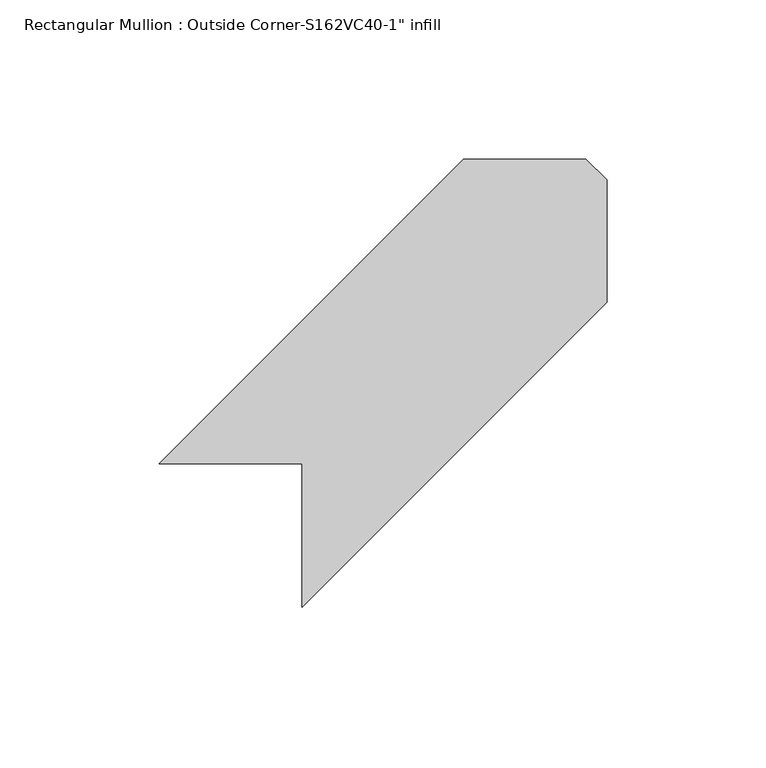
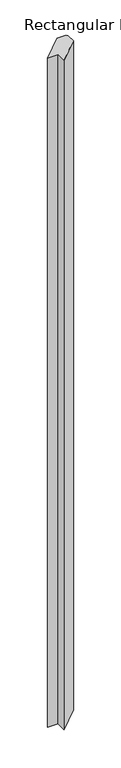
"""IFC4 building model written with IfcOpenShell, lengths in millimetres: member geometry."""

from ifc_helpers import new_model, si_unit, frame, origin, place, context, project, spatial, polyline, outline, extrude, source, transform, mapped, element, save


def member_fe9c3ce8(model_context):
    return source(origin(), model_context, "Body", "SweptSolid", [
        extrude(outline(polyline([(-183.3947806, -1.9685), (-228.2960612, -1.9685), (-132.6650612, 93.6625), (-94.229565, 93.6625), (-87.7637806, 87.1967156), (-87.7637806, 48.7612194), (-183.3947806, -46.8697806), (-183.3947806, -1.9685)])), frame((0.0, 0.0, -3048.0), z_axis=(0.0, 0.0, 1.0), x_axis=(1.0, 0.0, 0.0)), (0.0, 0.0, 1.0), 3048.0),
    ])


if __name__ == "__main__":
    model = new_model("IFC4")
    model_context = context("Model", 3, world=origin())
    ifc_project = project(units=[si_unit("LENGTHUNIT", "METRE", prefix="MILLI")], contexts=[model_context])
    site = spatial("IfcSite", under=ifc_project)
    building = spatial("IfcBuilding", under=site)
    placement = place(None, origin())
    member_shape = member_fe9c3ce8(model_context)
    element("IfcMember", 1, ObjectType="Rectangular Mullion : Outside Corner-S162VC40-1\" infill", at=placement, inside=building, context=model_context, shape_type="MappedRepresentation", body=[
        mapped(member_shape, transform((0.0, 0.0, 0.0), x_axis=(1.0, 0.0, 0.0), y_axis=(0.0, 1.0, 0.0), z_axis=(0.0, 0.0, 1.0))),
    ])
    save(model, "model.ifc")
